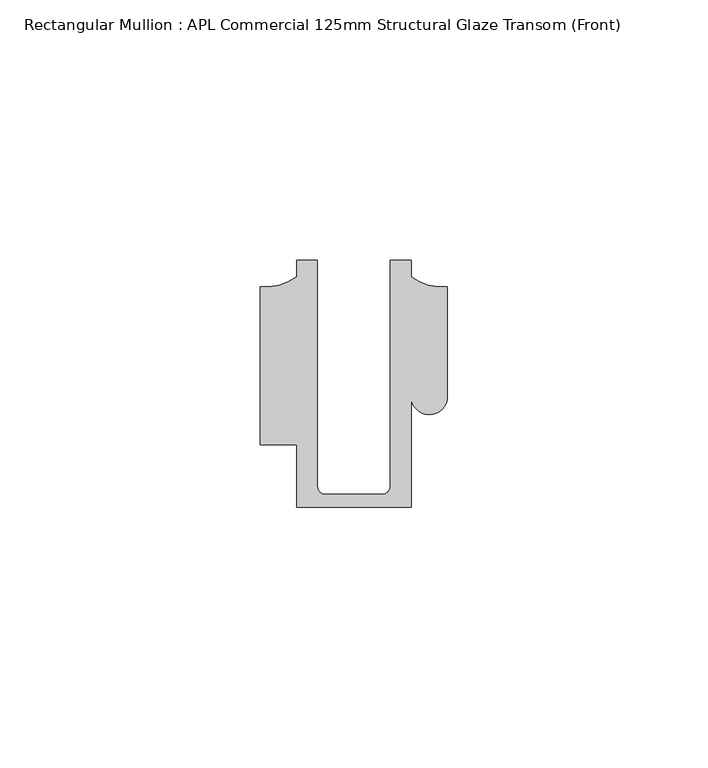
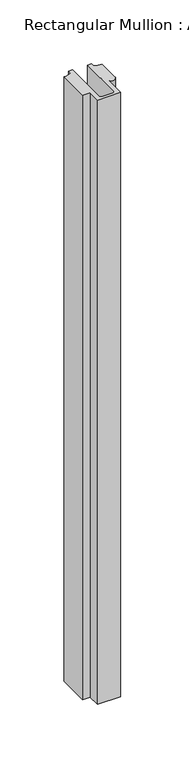
"""IFC4 building model written with IfcOpenShell, lengths in millimetres: member geometry, Rectangular Mullion : APL Commercial 125mm Structural Glaze Transom (Front)."""

from ifc_helpers import new_model, si_unit, frame, origin, place, context, project, spatial, polyline, circle_curve, source, transform, mapped, element, save
from ifc_brep_helpers import plane_surface, cylinder_surface, revolved_surface, advanced_brep


def rectangular_mullion_apl_commercial_125mm_structural_glaze_d3839593(model_context):
    return source(origin(), model_context, "Body", "AdvancedBrep", [
        advanced_brep(
        [(-11.0000151, -27.0, 0.0), (11.001071, -27.0, 0.0), (11.001071, -5.5848769, 0.0), (17.9999091, -5.6750512, 0.0), (17.9999542, 15.3797475, 0.0), (11.0000151, 17.3125212, 0.0), (11.0000151, 20.5, 0.0), (6.9999849, 20.5, 0.0), (6.9999849, -22.9973451, 0.0), (5.4999872, -24.5, 0.0), (-5.4999873, -24.5, 0.0), (-6.9999853, -22.9976091, 0.0), (-6.9999853, 20.5, 0.0), (-10.9999994, 20.5, 0.0), (-10.9999994, 17.3125325, 0.0), (-17.9999542, 15.3797475, 0.0), (-17.9999542, -15.0006281, 0.0), (-11.0000151, -15.0006281, 0.0), (-11.0000151, -27.0, -603.2001827), (-11.0000151, -15.0006281, -603.2001827), (-17.9999542, -15.0006281, -603.2001827), (-17.9999542, 15.3797475, -603.2001827), (-10.9999994, 17.3125325, -603.2001827), (-10.9999994, 20.5, -603.2001827), (-6.9999853, 20.5, -603.2001827), (-6.9999853, -22.9976091, -603.2001827), (-5.4999873, -24.5, -603.2001827), (5.4999872, -24.5, -603.2001827), (6.9999849, -22.9973451, -603.2001827), (6.9999849, 20.5, -603.2001827), (11.0000151, 20.5, -603.2001827), (11.0000151, 17.3125212, -603.2001827), (17.9999542, 15.3797475, -603.2001827), (17.9999542, -5.684606, -603.2001827), (11.001071, -5.5848769, -603.2001827), (11.001071, -27.0, -603.2001827)],
        [
            (0, 1),
            (1, 2),
            (2, 3, circle_curve(frame((14.4999091, -5.6750512, 0.0), z_axis=(0.0, 0.0, 1.0), x_axis=(-0.9999826028573957, 0.005898642432633649, 0.0)), 3.5)),
            (3, 4),
            (4, 5, circle_curve(frame((17.109817, 25.7981812, 0.0), z_axis=(0.0, 0.0, -1.0), x_axis=(0.0, -1.0, 0.0)), 10.4563907)),
            (5, 6),
            (6, 7),
            (7, 8),
            (8, 9, circle_curve(frame((5.4999872, -23.0, 0.0), z_axis=(0.0, 0.0, -1.0), x_axis=(0.9999999999999986, 5.463622857820516e-08, 0.0)), 1.5)),
            (9, 10),
            (10, 11, circle_curve(frame((-5.4999873, -23.0, 0.0), z_axis=(0.0, 0.0, -1.0), x_axis=(2.7320010112268853e-08, -0.9999999999999997, 0.0)), 1.5)),
            (11, 12),
            (12, 13),
            (13, 14),
            (14, 15, circle_curve(frame((-17.109817, 25.7981812, 0.0), z_axis=(0.0, 0.0, -1.0), x_axis=(0.0, -1.0, 0.0)), 10.4563907)),
            (15, 16),
            (16, 17),
            (17, 0),
            (18, 19),
            (19, 20),
            (20, 21),
            (21, 22, circle_curve(frame((-17.109817, 25.7981812, -603.2001827), z_axis=(0.0, 0.0, 1.0), x_axis=(0.0, -1.0, 0.0)), 10.4563907)),
            (22, 23),
            (23, 24),
            (24, 25),
            (25, 26, circle_curve(frame((-5.4999873, -23.0, -603.2001827), z_axis=(0.0, 0.0, 1.0), x_axis=(2.7320010112268853e-08, -0.9999999999999997, 0.0)), 1.5)),
            (26, 27),
            (27, 28, circle_curve(frame((5.4999872, -23.0, -603.2001827), z_axis=(0.0, 0.0, 1.0), x_axis=(0.9999999999999986, 5.463622857820516e-08, 0.0)), 1.5)),
            (28, 29),
            (29, 30),
            (30, 31),
            (31, 32, circle_curve(frame((17.109817, 25.7981812, -603.2001827), z_axis=(0.0, 0.0, 1.0), x_axis=(0.0, -1.0, 0.0)), 10.4563907)),
            (32, 33),
            (33, 34, circle_curve(frame((14.4999091, -5.6750512, -603.2001827), z_axis=(0.0, 0.0, -1.0), x_axis=(-0.9999826028573957, 0.005898642432633649, 0.0)), 3.5)),
            (34, 35),
            (35, 18),
            (0, 18),
            (35, 1),
            (34, 2),
            (33, 3),
            (32, 4),
            (31, 5),
            (30, 6),
            (29, 7),
            (28, 8),
            (27, 9),
            (26, 10),
            (25, 11),
            (24, 12),
            (23, 13),
            (22, 14),
            (21, 15),
            (20, 16),
            (19, 17),
        ],
        [
            plane_surface(frame((0.0, -29.1551636, 0.0), z_axis=(0.0, 0.0, 1.0), x_axis=(-1.0, 0.0, 0.0))),
            plane_surface(frame((0.0, -29.1551636, -603.2001827), z_axis=(0.0, 0.0, -1.0), x_axis=(-1.0, 0.0, 0.0))),
            plane_surface(frame((-11.0000151, -27.0, 0.0), z_axis=(0.0, -1.0, 0.0), x_axis=(0.0, 0.0, -1.0))),
            plane_surface(frame((11.001071, -27.0, 0.0), z_axis=(1.0, 0.0, 0.0), x_axis=(0.0, 0.0, -1.0))),
            cylinder_surface(frame((14.4999091, -5.6750512, 0.0), z_axis=(0.0, 0.0, 1.0), x_axis=(-0.9999826028573957, 0.005898642432633649, 0.0)), 3.5),
            plane_surface(frame((17.9999542, -5.684606, 0.0), z_axis=(1.0, 0.0, 0.0), x_axis=(0.0, 0.0, -1.0))),
            revolved_surface(polyline([(17.109817, 15.341790499999998, -603.2001827), (17.109817, 15.341790499999998, 0.0)]), (17.109817, 25.7981812, 0.0), (0.0, 0.0, -1.0)),
            plane_surface(frame((11.0000151, 17.3125212, 0.0), z_axis=(1.0, 0.0, 0.0), x_axis=(0.0, 0.0, -1.0))),
            plane_surface(frame((11.0000151, 20.5, 0.0), z_axis=(0.0, 1.0, 0.0), x_axis=(0.0, 0.0, -1.0))),
            plane_surface(frame((6.9999849, 20.5, 0.0), z_axis=(-1.0, 0.0, 0.0), x_axis=(0.0, 0.0, -1.0))),
            revolved_surface(polyline([(6.999987199999998, -22.999999918045656, -603.2001827), (6.999987199999998, -22.999999918045656, 0.0)]), (5.4999872, -23.0, 0.0), (0.0, 0.0, -1.0)),
            plane_surface(frame((5.4999872, -24.5, 0.0), z_axis=(0.0, 1.0, 0.0), x_axis=(0.0, 0.0, -1.0))),
            revolved_surface(polyline([(-5.499987259019985, -24.5, -603.2001827), (-5.499987259019985, -24.5, 0.0)]), (-5.4999873, -23.0, 0.0), (0.0, 0.0, -1.0)),
            plane_surface(frame((-6.9999853, -22.9976091, 0.0), z_axis=(1.0, 0.0, 0.0), x_axis=(0.0, 0.0, -1.0))),
            plane_surface(frame((-6.9999853, 20.5, 0.0), z_axis=(0.0, 1.0, 0.0), x_axis=(0.0, 0.0, -1.0))),
            plane_surface(frame((-10.9999994, 20.5, 0.0), z_axis=(-1.0, 0.0, 0.0), x_axis=(0.0, 0.0, -1.0))),
            revolved_surface(polyline([(-17.109817, 15.341790499999998, -603.2001827), (-17.109817, 15.341790499999998, 0.0)]), (-17.109817, 25.7981812, 0.0), (0.0, 0.0, -1.0)),
            plane_surface(frame((-17.9999542, 15.3797475, 0.0), z_axis=(-1.0, 0.0, 0.0), x_axis=(0.0, 0.0, -1.0))),
            plane_surface(frame((-17.9999542, -15.0006281, 0.0), z_axis=(0.0, -1.0, 0.0), x_axis=(0.0, 0.0, -1.0))),
            plane_surface(frame((-11.0000151, -15.0006281, 0.0), z_axis=(-1.0, 0.0, 0.0), x_axis=(0.0, 0.0, -1.0))),
        ],
        [
            (0, [[1, 2, 3, 4, 5, 6, 7, 8, 9, 10, 11, 12, 13, 14, 15, 16, 17, 18]]),
            (1, [[19, 20, 21, 22, 23, 24, 25, 26, 27, 28, 29, 30, 31, 32, 33, 34, 35, 36]]),
            (2, [[-1, 37, -36, 38]]),
            (3, [[-2, -38, -35, 39]]),
            (4, [[-3, -39, -34, 40]]),
            (5, [[-4, -40, -33, 41]]),
            (6, [[-5, -41, -32, 42]]),
            (7, [[-6, -42, -31, 43]]),
            (8, [[-7, -43, -30, 44]]),
            (9, [[-8, -44, -29, 45]]),
            (10, [[-9, -45, -28, 46]]),
            (11, [[-10, -46, -27, 47]]),
            (12, [[-11, -47, -26, 48]]),
            (13, [[-12, -48, -25, 49]]),
            (14, [[-13, -49, -24, 50]]),
            (15, [[-14, -50, -23, 51]]),
            (16, [[-15, -51, -22, 52]]),
            (17, [[-16, -52, -21, 53]]),
            (18, [[-17, -53, -20, 54]]),
            (19, [[-18, -54, -19, -37]]),
        ],
    ),
    ])


if __name__ == "__main__":
    model = new_model("IFC4")
    model_context = context("Model", 3, world=origin())
    ifc_project = project(units=[si_unit("LENGTHUNIT", "METRE", prefix="MILLI")], contexts=[model_context])
    site = spatial("IfcSite", under=ifc_project)
    building = spatial("IfcBuilding", under=site)
    placement = place(None, origin())
    rectangular_mullion_apl_commercial_125mm_structural_glaze_shape = rectangular_mullion_apl_commercial_125mm_structural_glaze_d3839593(model_context)
    element("IfcMember", 1, ObjectType="Rectangular Mullion : APL Commercial 125mm Structural Glaze Transom (Front)", at=placement, inside=building, context=model_context, shape_type="MappedRepresentation", body=[
        mapped(rectangular_mullion_apl_commercial_125mm_structural_glaze_shape, transform((0.0, 0.0, 0.0), x_axis=(1.0, 0.0, 0.0), y_axis=(0.0, 1.0, 0.0), z_axis=(0.0, 0.0, 1.0))),
    ])
    save(model, "model.ifc")
